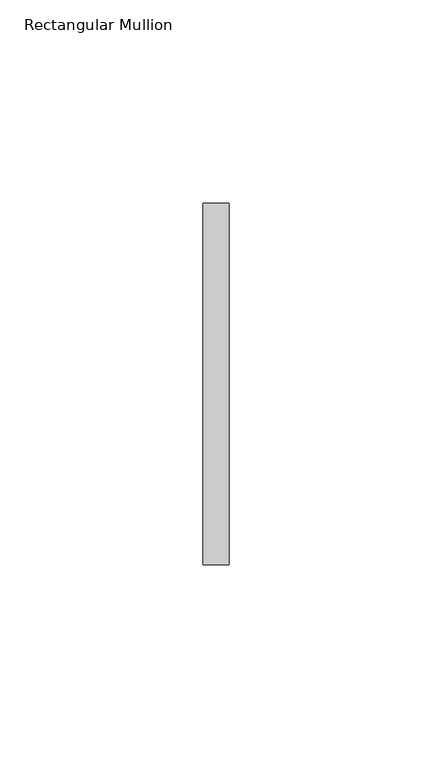
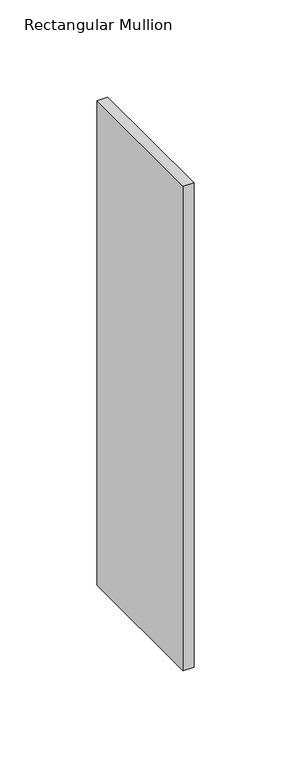
"""IFC4 building model written with IfcOpenShell, lengths in millimetres: member geometry, Rectangular Mullion."""

from ifc_helpers import new_model, si_unit, frame, origin, place, context, project, spatial, polyline, outline, extrude, source, transform, mapped, element, save


def rectangular_mullion_005a7cd5(model_context):
    return source(origin(), model_context, "Body", "SweptSolid", [
        extrude(outline(polyline([(0.0, 44.45), (0.0, -44.45), (-6.35, -44.45), (-6.35, 44.45), (0.0, 44.45)])), frame((0.0, 0.0, -304.8), z_axis=(0.0, 0.0, 1.0), x_axis=(1.0, 0.0, 0.0)), (0.0, 0.0, 1.0), 304.8),
    ])


if __name__ == "__main__":
    model = new_model("IFC4")
    model_context = context("Model", 3, world=origin())
    ifc_project = project(units=[si_unit("LENGTHUNIT", "METRE", prefix="MILLI")], contexts=[model_context])
    site = spatial("IfcSite", under=ifc_project)
    building = spatial("IfcBuilding", under=site)
    placement = place(None, origin())
    rectangular_mullion_shape = rectangular_mullion_005a7cd5(model_context)
    element("IfcMember", 1, ObjectType="Rectangular Mullion", at=placement, inside=building, context=model_context, shape_type="MappedRepresentation", body=[
        mapped(rectangular_mullion_shape, transform((0.0, 0.0, 0.0), x_axis=(1.0, 0.0, 0.0), y_axis=(0.0, 1.0, 0.0), z_axis=(0.0, 0.0, 1.0))),
    ])
    save(model, "model.ifc")
